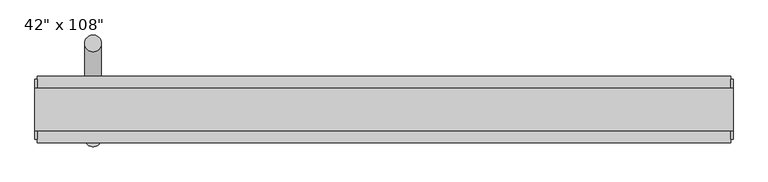
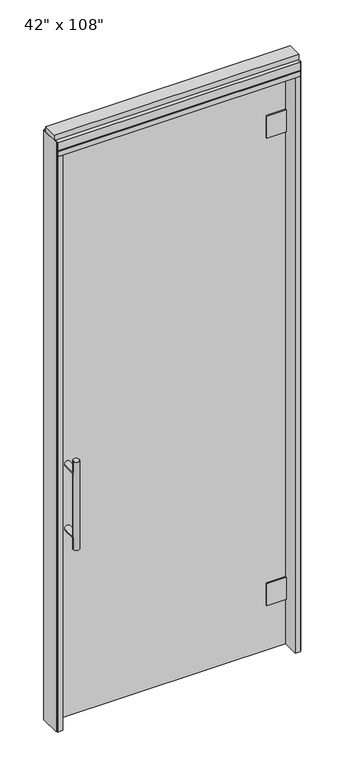
"""IFC4 building model written with IfcOpenShell, lengths in millimetres: furniture geometry."""

from ifc_helpers import new_model, si_unit, frame, origin, origin_with_axes, place, context, project, spatial, polyline, circle_curve, ellipse_curve, outline, extrude, source, transform, mapped, element, save
from ifc_brep_helpers import plane_surface, cylinder_surface, advanced_brep


def furniture_7e87993d(model_context):
    return source(origin(), model_context, "Body", "SolidModel", [
        extrude(outline(polyline([(447.2014771, 38.1727216), (447.2014771, 28.0127216), (-567.2745229, 28.0127216), (-567.2745229, 38.1727216), (447.2014771, 38.1727216)])), origin_with_axes(), (0.0, 0.0, 1.0), 2654.3),
        advanced_brep(
        [(-517.2365229, -39.5512784, 1219.2), (-491.8365229, -39.5512784, 1219.2), (-517.2365229, -39.5512784, 812.8), (-491.8365229, -39.5512784, 812.8), (-517.2365229, -39.5512784, 1164.336), (-517.2365229, -39.5512784, 867.664), (-491.8365229, -39.5512784, 867.664), (-491.8365229, -39.5512784, 1164.336), (-517.2365229, 28.0127216, 1164.336), (-491.8365229, 28.0127216, 1164.336), (-517.2365229, 28.0127216, 867.664), (-491.8365229, 28.0127216, 867.664)],
        [
            (0, 1, circle_curve(frame((-504.5365229, -39.5512784, 1219.2), z_axis=(0.0, 0.0, 1.0), x_axis=(1.0, 0.0, 0.0)), 12.7)),
            (1, 0, circle_curve(frame((-504.5365229, -39.5512784, 1219.2), z_axis=(0.0, 0.0, 1.0), x_axis=(1.0, 0.0, 0.0)), 12.7)),
            (2, 3, circle_curve(frame((-504.5365229, -39.5512784, 812.8), z_axis=(0.0, 0.0, -1.0), x_axis=(1.0, 0.0, 0.0)), 12.7)),
            (3, 2, circle_curve(frame((-504.5365229, -39.5512784, 812.8), z_axis=(0.0, 0.0, -1.0), x_axis=(1.0, 0.0, 0.0)), 12.7)),
            (0, 4),
            (4, 5),
            (5, 2),
            (3, 6),
            (6, 7),
            (7, 1),
            (7, 4, ellipse_curve(frame((-504.5365229, -39.5512784, 1164.336), z_axis=(0.0, -0.707106781186565, 0.70710678118653), x_axis=(0.0, 0.70710678118653, 0.707106781186565)), 17.9605122, 12.7)),
            (5, 6, ellipse_curve(frame((-504.5365229, -39.5512784, 867.664), z_axis=(0.0, -0.70710678118653, -0.7071067811865649), x_axis=(0.0, -0.7071067811865648, 0.7071067811865301)), 17.9605122, 12.7)),
            (4, 7, ellipse_curve(frame((-504.5365229, -39.5512784, 1164.336), z_axis=(0.0, -0.70710678118653, -0.7071067811865649), x_axis=(0.0, -0.7071067811865648, 0.7071067811865301)), 17.9605122, 12.7)),
            (6, 5, ellipse_curve(frame((-504.5365229, -39.5512784, 867.664), z_axis=(0.0, -0.707106781186565, 0.70710678118653), x_axis=(0.0, 0.70710678118653, 0.707106781186565)), 17.9605122, 12.7)),
            (8, 9, circle_curve(frame((-504.5365229, 28.0127216, 1164.336), z_axis=(0.0, 1.0, 0.0), x_axis=(1.0, 0.0, 0.0)), 12.7)),
            (9, 8, circle_curve(frame((-504.5365229, 28.0127216, 1164.336), z_axis=(0.0, 1.0, 0.0), x_axis=(1.0, 0.0, 0.0)), 12.7)),
            (9, 7),
            (4, 8),
            (10, 11, circle_curve(frame((-504.5365229, 28.0127216, 867.664), z_axis=(0.0, 1.0, 0.0), x_axis=(1.0, 0.0, 0.0)), 12.7)),
            (11, 10, circle_curve(frame((-504.5365229, 28.0127216, 867.664), z_axis=(0.0, 1.0, 0.0), x_axis=(1.0, 0.0, 0.0)), 12.7)),
            (11, 6),
            (5, 10),
        ],
        [
            plane_surface(frame((-491.8365229, -39.5512784, 1219.2), z_axis=(0.0, 0.0, 1.0), x_axis=(0.0, 1.0, 0.0))),
            plane_surface(frame((-491.8365229, -39.5512784, 812.8), z_axis=(0.0, 0.0, -1.0), x_axis=(0.0, -1.0, 0.0))),
            cylinder_surface(frame((-504.5365229, -39.5512784, 812.8), z_axis=(0.0, 0.0, 1.0), x_axis=(1.0, 0.0, 0.0)), 12.7),
            plane_surface(frame((-491.8365229, 28.0127216, 1164.336), z_axis=(0.0, 1.0, 0.0), x_axis=(0.0, 0.0, -1.0))),
            cylinder_surface(frame((-504.5365229, 28.0127216, 1164.336), z_axis=(0.0, -1.0, 0.0), x_axis=(1.0, 0.0, 0.0)), 12.7),
            plane_surface(frame((-491.8365229, 28.0127216, 867.664), z_axis=(0.0, 1.0, 0.0), x_axis=(0.0, 0.0, -1.0))),
            cylinder_surface(frame((-504.5365229, 28.0127216, 867.664), z_axis=(0.0, -1.0, 0.0), x_axis=(1.0, 0.0, 0.0)), 12.7),
        ],
        [
            (0, [[1, 2]]),
            (1, [[3, 4]]),
            (2, [[-1, 5, 6, 7, -4, 8, 9, 10]]),
            (2, [[-2, -10, 11, -5]]),
            (2, [[-3, -7, 12, -8]]),
            (2, [[13, -9, 14, -6]]),
            (3, [[15, 16]]),
            (4, [[-16, 17, -13, 18]]),
            (4, [[-15, -18, -11, -17]]),
            (5, [[19, 20]]),
            (6, [[-20, 21, -12, 22]]),
            (6, [[-19, -22, -14, -21]]),
        ],
    ),
        advanced_brep(
        [(-517.2365229, 105.7367216, 1219.2), (-491.8365229, 105.7367216, 1219.2), (-517.2365229, 105.7367216, 812.8), (-491.8365229, 105.7367216, 812.8), (-491.8365229, 105.7367216, 1164.336), (-491.8365229, 105.7367216, 867.664), (-517.2365229, 105.7367216, 867.664), (-517.2365229, 105.7367216, 1164.336), (-517.2365229, 38.1727216, 1164.336), (-491.8365229, 38.1727216, 1164.336), (-517.2365229, 38.1727216, 867.664), (-491.8365229, 38.1727216, 867.664)],
        [
            (0, 1, circle_curve(frame((-504.5365229, 105.7367216, 1219.2), z_axis=(0.0, 0.0, 1.0), x_axis=(1.0, 0.0, 0.0)), 12.7)),
            (1, 0, circle_curve(frame((-504.5365229, 105.7367216, 1219.2), z_axis=(0.0, 0.0, 1.0), x_axis=(1.0, 0.0, 0.0)), 12.7)),
            (2, 3, circle_curve(frame((-504.5365229, 105.7367216, 812.8), z_axis=(0.0, 0.0, -1.0), x_axis=(1.0, 0.0, 0.0)), 12.7)),
            (3, 2, circle_curve(frame((-504.5365229, 105.7367216, 812.8), z_axis=(0.0, 0.0, -1.0), x_axis=(1.0, 0.0, 0.0)), 12.7)),
            (1, 4),
            (4, 5),
            (5, 3),
            (2, 6),
            (6, 7),
            (7, 0),
            (7, 4, ellipse_curve(frame((-504.5365229, 105.7367216, 1164.336), z_axis=(0.0, 0.707106781186565, 0.70710678118653), x_axis=(0.0, -0.70710678118653, 0.707106781186565)), 17.9605122, 12.7)),
            (6, 5, ellipse_curve(frame((-504.5365229, 105.7367216, 867.664), z_axis=(0.0, 0.707106781186565, 0.70710678118653), x_axis=(0.0, -0.70710678118653, 0.707106781186565)), 17.9605122, 12.7)),
            (4, 7, ellipse_curve(frame((-504.5365229, 105.7367216, 1164.336), z_axis=(0.0, 0.70710678118653, -0.7071067811865649), x_axis=(0.0, 0.7071067811865648, 0.7071067811865301)), 17.9605122, 12.7)),
            (5, 6, ellipse_curve(frame((-504.5365229, 105.7367216, 867.664), z_axis=(0.0, 0.70710678118653, -0.7071067811865649), x_axis=(0.0, 0.7071067811865648, 0.7071067811865301)), 17.9605122, 12.7)),
            (8, 9, circle_curve(frame((-504.5365229, 38.1727216, 1164.336), z_axis=(0.0, -1.0, 0.0), x_axis=(1.0, 0.0, 0.0)), 12.7)),
            (9, 8, circle_curve(frame((-504.5365229, 38.1727216, 1164.336), z_axis=(0.0, -1.0, 0.0), x_axis=(1.0, 0.0, 0.0)), 12.7)),
            (8, 7),
            (4, 9),
            (10, 11, circle_curve(frame((-504.5365229, 38.1727216, 867.664), z_axis=(0.0, -1.0, 0.0), x_axis=(1.0, 0.0, 0.0)), 12.7)),
            (11, 10, circle_curve(frame((-504.5365229, 38.1727216, 867.664), z_axis=(0.0, -1.0, 0.0), x_axis=(1.0, 0.0, 0.0)), 12.7)),
            (10, 6),
            (5, 11),
        ],
        [
            plane_surface(frame((-491.8365229, 105.7367216, 1219.2), z_axis=(0.0, 0.0, 1.0), x_axis=(0.0, -1.0, 0.0))),
            plane_surface(frame((-491.8365229, 105.7367216, 812.8), z_axis=(0.0, 0.0, -1.0), x_axis=(0.0, 1.0, 0.0))),
            cylinder_surface(frame((-504.5365229, 105.7367216, 812.8), z_axis=(0.0, 0.0, 1.0), x_axis=(1.0, 0.0, 0.0)), 12.7),
            plane_surface(frame((-491.8365229, 38.1727216, 1164.336), z_axis=(0.0, -1.0, 0.0), x_axis=(0.0, 0.0, -1.0))),
            cylinder_surface(frame((-504.5365229, 38.1727216, 1164.336), z_axis=(0.0, 1.0, 0.0), x_axis=(1.0, 0.0, 0.0)), 12.7),
            plane_surface(frame((-491.8365229, 38.1727216, 867.664), z_axis=(0.0, -1.0, 0.0), x_axis=(0.0, 0.0, -1.0))),
            cylinder_surface(frame((-504.5365229, 38.1727216, 867.664), z_axis=(0.0, 1.0, 0.0), x_axis=(1.0, 0.0, 0.0)), 12.7),
        ],
        [
            (0, [[1, 2]]),
            (1, [[3, 4]]),
            (2, [[5, 6, 7, -3, 8, 9, 10, -2]]),
            (2, [[-10, 11, -5, -1]]),
            (2, [[-9, 12, -6, 13]]),
            (2, [[-7, 14, -8, -4]]),
            (3, [[15, 16]]),
            (4, [[17, -13, 18, -15]]),
            (4, [[-18, -11, -17, -16]]),
            (5, [[19, 20]]),
            (6, [[21, -14, 22, -19]]),
            (6, [[-22, -12, -21, -20]]),
        ],
    ),
        extrude(outline(polyline([(447.2014771, 44.5227216), (447.2014771, 38.1727216), (362.3654771, 38.1727216), (362.3654771, 44.5227216), (447.2014771, 44.5227216)])), frame((0.0, 0.0, 2364.486), z_axis=(0.0, 0.0, 1.0), x_axis=(1.0, 0.0, 0.0)), (0.0, 0.0, 1.0), 101.6),
        extrude(outline(polyline([(447.2014771, 44.5227216), (447.2014771, 38.1727216), (362.3654771, 38.1727216), (362.3654771, 44.5227216), (447.2014771, 44.5227216)])), frame((0.0, 0.0, 207.899), z_axis=(0.0, 0.0, 1.0), x_axis=(1.0, 0.0, 0.0)), (0.0, 0.0, 1.0), 101.6),
        extrude(outline(polyline([(362.3654771, 21.6627216), (362.3654771, 28.0127216), (447.2014771, 28.0127216), (447.2014771, 21.6627216), (362.3654771, 21.6627216)])), frame((0.0, 0.0, 2364.486), z_axis=(0.0, 0.0, 1.0), x_axis=(1.0, 0.0, 0.0)), (0.0, 0.0, 1.0), 101.6),
        extrude(outline(polyline([(362.3654771, 21.6627216), (362.3654771, 28.0127216), (447.2014771, 28.0127216), (447.2014771, 21.6627216), (362.3654771, 21.6627216)])), frame((0.0, 0.0, 207.899), z_axis=(0.0, 0.0, 1.0), x_axis=(1.0, 0.0, 0.0)), (0.0, 0.0, 1.0), 101.6),
        extrude(outline(polyline([(-589.4995229, 55.3177216), (469.4264771, 55.3177216), (469.4264771, -46.2822784), (-589.4995229, -46.2822784), (-589.4995229, 55.3177216)])), frame((0.0, 0.0, 2654.3), z_axis=(0.0, 0.0, 1.0), x_axis=(1.0, 0.0, 0.0)), (0.0, 0.0, 1.0), 22.225),
        extrude(outline(polyline([(473.3634771, 50.3647216), (473.3634771, -41.3292784), (469.4264771, -41.3292784), (469.4264771, 50.3647216), (473.3634771, 50.3647216)])), origin_with_axes(), (0.0, 0.0, 1.0), 2717.8),
        extrude(outline(polyline([(-593.4365229, 50.3647216), (-589.4995229, 50.3647216), (-589.4995229, -41.3292784), (-593.4365229, -41.3292784), (-593.4365229, 50.3647216)])), origin_with_axes(), (0.0, 0.0, 1.0), 2717.8),
        extrude(outline(polyline([(447.2014771, 55.3177216), (469.4264771, 55.3177216), (469.4264771, -46.2822784), (447.2014771, -46.2822784), (447.2014771, 55.3177216)])), origin_with_axes(), (0.0, 0.0, 1.0), 2654.3),
        extrude(outline(polyline([(-567.2745229, 55.3177216), (-567.2745229, -46.2822784), (-589.4995229, -46.2822784), (-589.4995229, 55.3177216), (-567.2745229, 55.3177216)])), origin_with_axes(), (0.0, 0.0, 1.0), 2654.3),
        extrude(outline(polyline([(55.3177216, 2681.478), (50.3647216, 2681.478), (50.3647216, 2676.525), (-41.3292784, 2676.525), (-41.3292784, 2681.478), (-46.2822784, 2681.478), (-46.2822784, 2717.8), (55.3177216, 2717.8), (55.3177216, 2681.478)])), frame((-589.4995229, 0.0, 0.0), z_axis=(1.0, 0.0, 0.0), x_axis=(0.0, 1.0, 0.0)), (0.0, 0.0, 1.0), 1058.926),
        extrude(outline(polyline([(-593.4365229, 37.0297216), (473.3634771, 37.0297216), (473.3634771, -27.9942784), (-593.4365229, -27.9942784), (-593.4365229, 37.0297216)])), frame((0.0, 0.0, 2717.8), z_axis=(0.0, 0.0, 1.0), x_axis=(1.0, 0.0, 0.0)), (0.0, 0.0, 1.0), 25.4),
    ])


if __name__ == "__main__":
    model = new_model("IFC4")
    model_context = context("Model", 3, world=origin())
    ifc_project = project(units=[si_unit("LENGTHUNIT", "METRE", prefix="MILLI")], contexts=[model_context])
    site = spatial("IfcSite", under=ifc_project)
    building = spatial("IfcBuilding", under=site)
    placement = place(None, origin())
    furniture_shape = furniture_7e87993d(model_context)
    element("IfcFurniture", 1, ObjectType="42\" x 108\"", at=placement, inside=building, context=model_context, shape_type="MappedRepresentation", body=[
        mapped(furniture_shape, transform((0.0, 0.0, 0.0), x_axis=(1.0, 0.0, 0.0), y_axis=(0.0, 1.0, 0.0), z_axis=(0.0, 0.0, 1.0))),
    ])
    save(model, "model.ifc")
